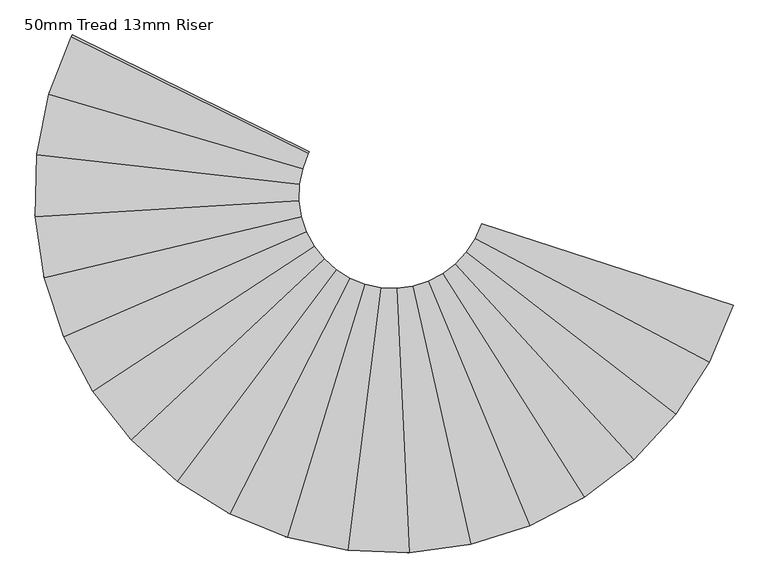
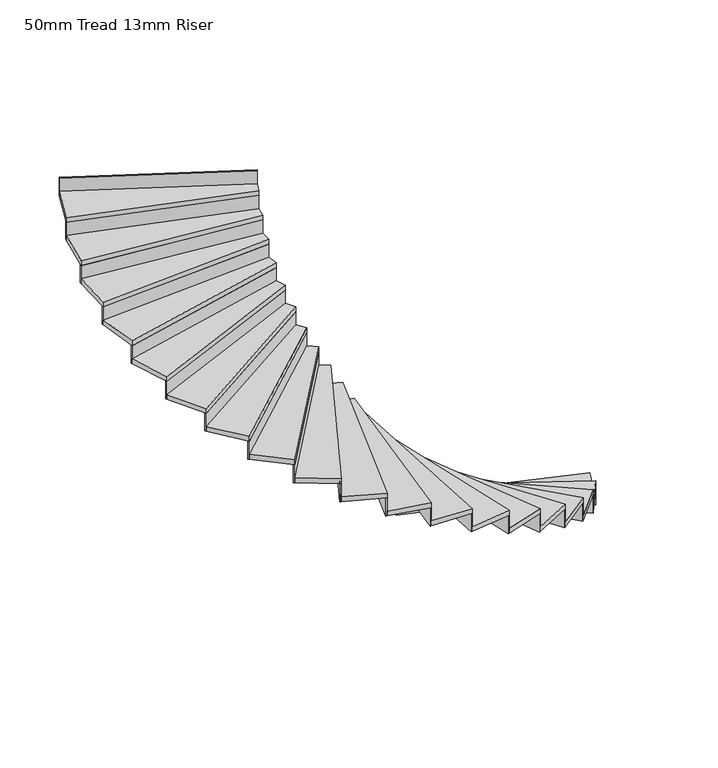
"""IFC4 building model written with IfcOpenShell, lengths in millimetres: stair flight geometry, 50mm Tread 13mm Riser."""

from ifc_helpers import new_model, si_unit, point, frame, frame_2d, origin, origin_with_axes, place, context, project, spatial, polyline, circle_curve, trimmed, segment, composite_curve, outline, extrude, source, transform, mapped, element, save


def stair_flight_50mm_tread_13mm_riser_e6cad448(model_context):
    return source(origin(), model_context, "Body", "SweptSolid", [
        extrude(outline(composite_curve([segment(polyline([(22952.0210346, -7413.5777681), (21453.7657208, -6622.8755166)]), True, "CONTINUOUS"), segment(trimmed(circle_curve(frame_2d((20923.1284937, -6342.832425)), 600.0), [point((21453.7657208, -6622.8755166))], [point((21494.0473931, -6527.3632092))], True, "CARTESIAN"), True, "CONTINUOUS"), segment(polyline([(21494.0473931, -6527.3632092), (23106.0380922, -7048.3862622)]), True, "CONTINUOUS"), segment(trimmed(circle_curve(frame_2d((20923.1284937, -6342.832425)), 2294.1012472), [point((23106.0380922, -7048.3862622))], [point((22952.0210346, -7413.5777681))], False, "CARTESIAN"), True, "CONTINUOUS")], self_intersect=False)), frame((0.0, 0.0, 137.5), z_axis=(0.0, 0.0, 1.0), x_axis=(1.0, 0.0, 0.0)), (0.0, 0.0, 1.0), 50.0),
        extrude(outline(composite_curve([segment(trimmed(circle_curve(frame_2d((20923.1284937, -6342.832425)), 600.0), [point((21490.0790909, -6539.2173029))], [point((21494.0473931, -6527.3632092))], True, "CARTESIAN"), True, "CONTINUOUS"), segment(polyline([(21494.0473931, -6527.3632092), (23106.0380922, -7048.3862622)]), True, "CONTINUOUS"), segment(trimmed(circle_curve(frame_2d((20923.1284937, -6342.832425)), 2294.1012472), [point((23106.0380922, -7048.3862622))], [point((23102.1612965, -7060.2699323))], False, "CARTESIAN"), True, "CONTINUOUS"), segment(polyline([(23102.1612965, -7060.2699323), (21490.0790909, -6539.2173029)]), True, "CONTINUOUS")], self_intersect=False)), origin_with_axes(), (0.0, 0.0, 1.0), 137.5),
        extrude(outline(composite_curve([segment(polyline([(22737.4459645, -7746.8098634), (21397.6456859, -6710.0291492)]), True, "CONTINUOUS"), segment(trimmed(circle_curve(frame_2d((20923.1284937, -6342.832425)), 600.0), [point((21397.6456859, -6710.0291492))], [point((21453.7657208, -6622.8755166))], True, "CARTESIAN"), True, "CONTINUOUS"), segment(polyline([(21453.7657208, -6622.8755166), (22952.0210346, -7413.5777681)]), True, "CONTINUOUS"), segment(trimmed(circle_curve(frame_2d((20923.1284937, -6342.832425)), 2294.1012472), [point((22952.0210346, -7413.5777681))], [point((22737.4459645, -7746.8098634))], False, "CARTESIAN"), True, "CONTINUOUS")], self_intersect=False)), frame((0.0, 0.0, 325.0), z_axis=(0.0, 0.0, 1.0), x_axis=(1.0, 0.0, 0.0)), (0.0, 0.0, 1.0), 50.0),
        extrude(outline(composite_curve([segment(trimmed(circle_curve(frame_2d((20923.1284937, -6342.832425)), 600.0), [point((21447.8163216, -6633.869679))], [point((21453.7657208, -6622.8755166))], True, "CARTESIAN"), True, "CONTINUOUS"), segment(polyline([(21453.7657208, -6622.8755166), (22952.0210346, -7413.5777681)]), True, "CONTINUOUS"), segment(trimmed(circle_curve(frame_2d((20923.1284937, -6342.832425)), 2294.1012472), [point((22952.0210346, -7413.5777681))], [point((22946.1566855, -7424.6168156))], False, "CARTESIAN"), True, "CONTINUOUS"), segment(polyline([(22946.1566855, -7424.6168156), (21447.8163216, -6633.869679)]), True, "CONTINUOUS")], self_intersect=False)), frame((0.0, 0.0, 137.5), z_axis=(0.0, 0.0, 1.0), x_axis=(1.0, 0.0, 0.0)), (0.0, 0.0, 1.0), 187.5),
        extrude(outline(composite_curve([segment(polyline([(22468.7174793, -8038.1362975), (21327.3623489, -6786.2227612)]), True, "CONTINUOUS"), segment(trimmed(circle_curve(frame_2d((20923.1284937, -6342.832425)), 600.0), [point((21327.3623489, -6786.2227612))], [point((21397.6456859, -6710.0291492))], True, "CARTESIAN"), True, "CONTINUOUS"), segment(polyline([(21397.6456859, -6710.0291492), (22737.4459645, -7746.8098634)]), True, "CONTINUOUS"), segment(trimmed(circle_curve(frame_2d((20923.1284937, -6342.832425)), 2294.1012472), [point((22737.4459645, -7746.8098634))], [point((22468.7174793, -8038.1362975))], False, "CARTESIAN"), True, "CONTINUOUS")], self_intersect=False)), frame((0.0, 0.0, 512.5), z_axis=(0.0, 0.0, 1.0), x_axis=(1.0, 0.0, 0.0)), (0.0, 0.0, 1.0), 50.0),
        extrude(outline(composite_curve([segment(trimmed(circle_curve(frame_2d((20923.1284937, -6342.832425)), 600.0), [point((21389.8927662, -6719.8352286))], [point((21397.6456859, -6710.0291492))], True, "CARTESIAN"), True, "CONTINUOUS"), segment(polyline([(21397.6456859, -6710.0291492), (22737.4459645, -7746.8098634)]), True, "CONTINUOUS"), segment(trimmed(circle_curve(frame_2d((20923.1284937, -6342.832425)), 2294.1012472), [point((22737.4459645, -7746.8098634))], [point((22729.7691, -7756.6747967))], False, "CARTESIAN"), True, "CONTINUOUS"), segment(polyline([(22729.7691, -7756.6747967), (21389.8927662, -6719.8352286)]), True, "CONTINUOUS")], self_intersect=False)), frame((0.0, 0.0, 325.0), z_axis=(0.0, 0.0, 1.0), x_axis=(1.0, 0.0, 0.0)), (0.0, 0.0, 1.0), 187.5),
        extrude(outline(composite_curve([segment(polyline([(22153.8565374, -8278.8616125), (21245.0135139, -6849.1821399)]), True, "CONTINUOUS"), segment(trimmed(circle_curve(frame_2d((20923.1284937, -6342.832425)), 600.0), [point((21245.0135139, -6849.1821399))], [point((21327.3623489, -6786.2227612))], True, "CARTESIAN"), True, "CONTINUOUS"), segment(polyline([(21327.3623489, -6786.2227612), (22468.7174793, -8038.1362975)]), True, "CONTINUOUS"), segment(trimmed(circle_curve(frame_2d((20923.1284937, -6342.832425)), 2294.1012472), [point((22468.7174793, -8038.1362975))], [point((22153.8565374, -8278.8616125))], False, "CARTESIAN"), True, "CONTINUOUS")], self_intersect=False)), frame((0.0, 0.0, 700.0), z_axis=(0.0, 0.0, 1.0), x_axis=(1.0, 0.0, 0.0)), (0.0, 0.0, 1.0), 50.0),
        extrude(outline(composite_curve([segment(trimmed(circle_curve(frame_2d((20923.1284937, -6342.832425)), 600.0), [point((21318.0373163, -6794.5480676))], [point((21327.3623489, -6786.2227612))], True, "CARTESIAN"), True, "CONTINUOUS"), segment(polyline([(21327.3623489, -6786.2227612), (22468.7174793, -8038.1362975)]), True, "CONTINUOUS"), segment(trimmed(circle_curve(frame_2d((20923.1284937, -6342.832425)), 2294.1012472), [point((22468.7174793, -8038.1362975))], [point((22459.457237, -8046.53267))], False, "CARTESIAN"), True, "CONTINUOUS"), segment(polyline([(22459.457237, -8046.53267), (21318.0373163, -6794.5480676)]), True, "CONTINUOUS")], self_intersect=False)), frame((0.0, 0.0, 512.5), z_axis=(0.0, 0.0, 1.0), x_axis=(1.0, 0.0, 0.0)), (0.0, 0.0, 1.0), 187.5),
        extrude(outline(composite_curve([segment(polyline([(21802.2610506, -8461.8006833), (21153.0571138, -6897.028085)]), True, "CONTINUOUS"), segment(trimmed(circle_curve(frame_2d((20923.1284937, -6342.832425)), 600.0), [point((21153.0571138, -6897.028085))], [point((21245.0135139, -6849.1821399))], True, "CARTESIAN"), True, "CONTINUOUS"), segment(polyline([(21245.0135139, -6849.1821399), (22153.8565374, -8278.8616125)]), True, "CONTINUOUS"), segment(trimmed(circle_curve(frame_2d((20923.1284937, -6342.832425)), 2294.1012472), [point((22153.8565374, -8278.8616125))], [point((21802.2610506, -8461.8006833))], False, "CARTESIAN"), True, "CONTINUOUS")], self_intersect=False)), frame((0.0, 0.0, 887.5), z_axis=(0.0, 0.0, 1.0), x_axis=(1.0, 0.0, 0.0)), (0.0, 0.0, 1.0), 50.0),
        extrude(outline(composite_curve([segment(trimmed(circle_curve(frame_2d((20923.1284937, -6342.832425)), 600.0), [point((21234.3947004, -6855.7781809))], [point((21245.0135139, -6849.1821399))], True, "CARTESIAN"), True, "CONTINUOUS"), segment(polyline([(21245.0135139, -6849.1821399), (22153.8565374, -8278.8616125)]), True, "CONTINUOUS"), segment(trimmed(circle_curve(frame_2d((20923.1284937, -6342.832425)), 2294.1012472), [point((22153.8565374, -8278.8616125))], [point((22143.2893154, -8285.5388109))], False, "CARTESIAN"), True, "CONTINUOUS"), segment(polyline([(22143.2893154, -8285.5388109), (21234.3947004, -6855.7781809)]), True, "CONTINUOUS")], self_intersect=False)), frame((0.0, 0.0, 700.0), z_axis=(0.0, 0.0, 1.0), x_axis=(1.0, 0.0, 0.0)), (0.0, 0.0, 1.0), 187.5),
        extrude(outline(composite_curve([segment(polyline([(21424.4253764, -8581.4931782), (21054.2378464, -6928.3324998)]), True, "CONTINUOUS"), segment(trimmed(circle_curve(frame_2d((20923.1284937, -6342.832425)), 600.0), [point((21054.2378464, -6928.3324998))], [point((21153.0571138, -6897.028085))], True, "CARTESIAN"), True, "CONTINUOUS"), segment(polyline([(21153.0571138, -6897.028085), (21802.2610506, -8461.8006833)]), True, "CONTINUOUS"), segment(trimmed(circle_curve(frame_2d((20923.1284937, -6342.832425)), 2294.1012472), [point((21802.2610506, -8461.8006833))], [point((21424.4253764, -8581.4931782))], False, "CARTESIAN"), True, "CONTINUOUS")], self_intersect=False)), frame((0.0, 0.0, 1075.0), z_axis=(0.0, 0.0, 1.0), x_axis=(1.0, 0.0, 0.0)), (0.0, 0.0, 1.0), 50.0),
        extrude(outline(composite_curve([segment(trimmed(circle_curve(frame_2d((20923.1284937, -6342.832425)), 600.0), [point((21141.4614677, -6901.6979834))], [point((21153.0571138, -6897.028085))], True, "CARTESIAN"), True, "CONTINUOUS"), segment(polyline([(21153.0571138, -6897.028085), (21802.2610506, -8461.8006833)]), True, "CONTINUOUS"), segment(trimmed(circle_curve(frame_2d((20923.1284937, -6342.832425)), 2294.1012472), [point((21802.2610506, -8461.8006833))], [point((21790.7022573, -8466.5594077))], False, "CARTESIAN"), True, "CONTINUOUS"), segment(polyline([(21790.7022573, -8466.5594077), (21141.4614677, -6901.6979834)]), True, "CONTINUOUS")], self_intersect=False)), frame((0.0, 0.0, 887.5), z_axis=(0.0, 0.0, 1.0), x_axis=(1.0, 0.0, 0.0)), (0.0, 0.0, 1.0), 187.5),
        extrude(outline(composite_curve([segment(polyline([(21031.6270848, -8634.3665374), (20951.5052511, -6942.1610157)]), True, "CONTINUOUS"), segment(trimmed(circle_curve(frame_2d((20923.1284937, -6342.832425)), 600.0), [point((20951.5052511, -6942.1610157))], [point((21054.2378464, -6928.3324998))], True, "CARTESIAN"), True, "CONTINUOUS"), segment(polyline([(21054.2378464, -6928.3324998), (21424.4253764, -8581.4931782)]), True, "CONTINUOUS"), segment(trimmed(circle_curve(frame_2d((20923.1284937, -6342.832425)), 2294.1012472), [point((21424.4253764, -8581.4931782))], [point((21031.6270848, -8634.3665374))], False, "CARTESIAN"), True, "CONTINUOUS")], self_intersect=False)), frame((0.0, 0.0, 1262.5), z_axis=(0.0, 0.0, 1.0), x_axis=(1.0, 0.0, 0.0)), (0.0, 0.0, 1.0), 50.0),
        extrude(outline(composite_curve([segment(trimmed(circle_curve(frame_2d((20923.1284937, -6342.832425)), 600.0), [point((21042.0114726, -6930.9368692))], [point((21054.2378464, -6928.3324998))], True, "CARTESIAN"), True, "CONTINUOUS"), segment(polyline([(21054.2378464, -6928.3324998), (21424.4253764, -8581.4931782)]), True, "CONTINUOUS"), segment(trimmed(circle_curve(frame_2d((20923.1284937, -6342.832425)), 2294.1012472), [point((21424.4253764, -8581.4931782))], [point((21412.2200166, -8584.191391))], False, "CARTESIAN"), True, "CONTINUOUS"), segment(polyline([(21412.2200166, -8584.191391), (21042.0114726, -6930.9368692)]), True, "CONTINUOUS")], self_intersect=False)), frame((0.0, 0.0, 1075.0), z_axis=(0.0, 0.0, 1.0), x_axis=(1.0, 0.0, 0.0)), (0.0, 0.0, 1.0), 187.5),
        extrude(outline(composite_curve([segment(polyline([(20635.5903471, -8618.8426066), (20847.9256716, -6938.1008817)]), True, "CONTINUOUS"), segment(trimmed(circle_curve(frame_2d((20923.1284937, -6342.832425)), 600.0), [point((20847.9256716, -6938.1008817))], [point((20951.5052511, -6942.1610157))], True, "CARTESIAN"), True, "CONTINUOUS"), segment(polyline([(20951.5052511, -6942.1610157), (21031.6270848, -8634.3665374)]), True, "CONTINUOUS"), segment(trimmed(circle_curve(frame_2d((20923.1284937, -6342.832425)), 2294.1012472), [point((21031.6270848, -8634.3665374))], [point((20635.5903471, -8618.8426066))], False, "CARTESIAN"), True, "CONTINUOUS")], self_intersect=False)), frame((0.0, 0.0, 1450.0), z_axis=(0.0, 0.0, 1.0), x_axis=(1.0, 0.0, 0.0)), (0.0, 0.0, 1.0), 50.0),
        extrude(outline(composite_curve([segment(trimmed(circle_curve(frame_2d((20923.1284937, -6342.832425)), 600.0), [point((20939.01308, -6942.6221214))], [point((20951.5052511, -6942.1610157))], True, "CARTESIAN"), True, "CONTINUOUS"), segment(polyline([(20951.5052511, -6942.1610157), (21031.6270848, -8634.3665374)]), True, "CONTINUOUS"), segment(trimmed(circle_curve(frame_2d((20923.1284937, -6342.832425)), 2294.1012472), [point((21031.6270848, -8634.3665374))], [point((21019.1394619, -8634.9237029))], False, "CARTESIAN"), True, "CONTINUOUS"), segment(polyline([(21019.1394619, -8634.9237029), (20939.01308, -6942.6221214)]), True, "CONTINUOUS")], self_intersect=False)), frame((0.0, 0.0, 1262.5), z_axis=(0.0, 0.0, 1.0), x_axis=(1.0, 0.0, 0.0)), (0.0, 0.0, 1.0), 187.5),
        extrude(outline(composite_curve([segment(polyline([(20248.1359953, -8535.3847413), (20746.5907321, -6916.2732839)]), True, "CONTINUOUS"), segment(trimmed(circle_curve(frame_2d((20923.1284937, -6342.832425)), 600.0), [point((20746.5907321, -6916.2732839))], [point((20847.9256716, -6938.1008817))], True, "CARTESIAN"), True, "CONTINUOUS"), segment(polyline([(20847.9256716, -6938.1008817), (20635.5903471, -8618.8426066)]), True, "CONTINUOUS"), segment(trimmed(circle_curve(frame_2d((20923.1284937, -6342.832425)), 2294.1012472), [point((20635.5903471, -8618.8426066))], [point((20248.1359953, -8535.3847413))], False, "CARTESIAN"), True, "CONTINUOUS")], self_intersect=False)), frame((0.0, 0.0, 1637.5), z_axis=(0.0, 0.0, 1.0), x_axis=(1.0, 0.0, 0.0)), (0.0, 0.0, 1.0), 50.0),
        extrude(outline(composite_curve([segment(trimmed(circle_curve(frame_2d((20923.1284937, -6342.832425)), 600.0), [point((20835.5405672, -6936.4049607))], [point((20847.9256716, -6938.1008817))], True, "CARTESIAN"), True, "CONTINUOUS"), segment(polyline([(20847.9256716, -6938.1008817), (20635.5903471, -8618.8426066)]), True, "CONTINUOUS"), segment(trimmed(circle_curve(frame_2d((20923.1284937, -6342.832425)), 2294.1012472), [point((20635.5903471, -8618.8426066))], [point((20623.1931893, -8617.2420947))], False, "CARTESIAN"), True, "CONTINUOUS"), segment(polyline([(20623.1931893, -8617.2420947), (20835.5405672, -6936.4049607)]), True, "CONTINUOUS")], self_intersect=False)), frame((0.0, 0.0, 1450.0), z_axis=(0.0, 0.0, 1.0), x_axis=(1.0, 0.0, 0.0)), (0.0, 0.0, 1.0), 187.5),
        extrude(outline(composite_curve([segment(polyline([(19880.8286959, -8386.4839765), (20650.5250594, -6877.3297286)]), True, "CONTINUOUS"), segment(trimmed(circle_curve(frame_2d((20923.1284937, -6342.832425)), 600.0), [point((20650.5250594, -6877.3297286))], [point((20746.5907321, -6916.2732839))], True, "CARTESIAN"), True, "CONTINUOUS"), segment(polyline([(20746.5907321, -6916.2732839), (20248.1359953, -8535.3847413)]), True, "CONTINUOUS"), segment(trimmed(circle_curve(frame_2d((20923.1284937, -6342.832425)), 2294.1012472), [point((20248.1359953, -8535.3847413))], [point((19880.8286959, -8386.4839765))], False, "CARTESIAN"), True, "CONTINUOUS")], self_intersect=False)), frame((0.0, 0.0, 1825.0), z_axis=(0.0, 0.0, 1.0), x_axis=(1.0, 0.0, 0.0)), (0.0, 0.0, 1.0), 50.0),
        extrude(outline(composite_curve([segment(trimmed(circle_curve(frame_2d((20923.1284937, -6342.832425)), 600.0), [point((20734.6823629, -6912.4709558))], [point((20746.5907321, -6916.2732839))], True, "CARTESIAN"), True, "CONTINUOUS"), segment(polyline([(20746.5907321, -6916.2732839), (20248.1359953, -8535.3847413)]), True, "CONTINUOUS"), segment(trimmed(circle_curve(frame_2d((20923.1284937, -6342.832425)), 2294.1012472), [point((20248.1359953, -8535.3847413))], [point((20236.1993308, -8531.6743237))], False, "CARTESIAN"), True, "CONTINUOUS"), segment(polyline([(20236.1993308, -8531.6743237), (20734.6823629, -6912.4709558)]), True, "CONTINUOUS")], self_intersect=False)), frame((0.0, 0.0, 1637.5), z_axis=(0.0, 0.0, 1.0), x_axis=(1.0, 0.0, 0.0)), (0.0, 0.0, 1.0), 187.5),
        extrude(outline(composite_curve([segment(polyline([(19544.6317696, -8176.5846749), (20562.5960039, -6822.4325957)]), True, "CONTINUOUS"), segment(trimmed(circle_curve(frame_2d((20923.1284937, -6342.832425)), 600.0), [point((20562.5960039, -6822.4325957))], [point((20650.5250594, -6877.3297286))], True, "CARTESIAN"), True, "CONTINUOUS"), segment(polyline([(20650.5250594, -6877.3297286), (19880.8286959, -8386.4839765)]), True, "CONTINUOUS"), segment(trimmed(circle_curve(frame_2d((20923.1284937, -6342.832425)), 2294.1012472), [point((19880.8286959, -8386.4839765))], [point((19544.6317696, -8176.5846749))], False, "CARTESIAN"), True, "CONTINUOUS")], self_intersect=False)), frame((0.0, 0.0, 2012.5), z_axis=(0.0, 0.0, 1.0), x_axis=(1.0, 0.0, 0.0)), (0.0, 0.0, 1.0), 50.0),
        extrude(outline(composite_curve([segment(trimmed(circle_curve(frame_2d((20923.1284937, -6342.832425)), 600.0), [point((20639.448864, -6871.5344844))], [point((20650.5250594, -6877.3297286))], True, "CARTESIAN"), True, "CONTINUOUS"), segment(polyline([(20650.5250594, -6877.3297286), (19880.8286959, -8386.4839765)]), True, "CONTINUOUS"), segment(trimmed(circle_curve(frame_2d((20923.1284937, -6342.832425)), 2294.1012472), [point((19880.8286959, -8386.4839765))], [point((19869.7088079, -8380.7744011))], False, "CARTESIAN"), True, "CONTINUOUS"), segment(polyline([(19869.7088079, -8380.7744011), (20639.448864, -6871.5344844)]), True, "CONTINUOUS")], self_intersect=False)), frame((0.0, 0.0, 1825.0), z_axis=(0.0, 0.0, 1.0), x_axis=(1.0, 0.0, 0.0)), (0.0, 0.0, 1.0), 187.5),
        extrude(outline(composite_curve([segment(polyline([(19249.5799608, -7911.9518725), (20485.4280561, -6753.220445)]), True, "CONTINUOUS"), segment(trimmed(circle_curve(frame_2d((20923.1284937, -6342.832425)), 600.0), [point((20485.4280561, -6753.220445))], [point((20562.5960039, -6822.4325957))], True, "CARTESIAN"), True, "CONTINUOUS"), segment(polyline([(20562.5960039, -6822.4325957), (19544.6317696, -8176.5846749)]), True, "CONTINUOUS"), segment(trimmed(circle_curve(frame_2d((20923.1284937, -6342.832425)), 2294.1012472), [point((19544.6317696, -8176.5846749))], [point((19249.5799608, -7911.9518725))], False, "CARTESIAN"), True, "CONTINUOUS")], self_intersect=False)), frame((0.0, 0.0, 2200.0), z_axis=(0.0, 0.0, 1.0), x_axis=(1.0, 0.0, 0.0)), (0.0, 0.0, 1.0), 50.0),
        extrude(outline(composite_curve([segment(trimmed(circle_curve(frame_2d((20923.1284937, -6342.832425)), 600.0), [point((20552.6825827, -6814.817411))], [point((20562.5960039, -6822.4325957))], True, "CARTESIAN"), True, "CONTINUOUS"), segment(polyline([(20562.5960039, -6822.4325957), (19544.6317696, -8176.5846749)]), True, "CONTINUOUS"), segment(trimmed(circle_curve(frame_2d((20923.1284937, -6342.832425)), 2294.1012472), [point((19544.6317696, -8176.5846749))], [point((19534.6605626, -8169.0463601))], False, "CARTESIAN"), True, "CONTINUOUS"), segment(polyline([(19534.6605626, -8169.0463601), (20552.6825827, -6814.817411)]), True, "CONTINUOUS")], self_intersect=False)), frame((0.0, 0.0, 2012.5), z_axis=(0.0, 0.0, 1.0), x_axis=(1.0, 0.0, 0.0)), (0.0, 0.0, 1.0), 187.5),
        extrude(outline(composite_curve([segment(polyline([(19004.4799217, -7600.4842806), (20421.3245107, -6671.7591078)]), True, "CONTINUOUS"), segment(trimmed(circle_curve(frame_2d((20923.1284937, -6342.832425)), 600.0), [point((20421.3245107, -6671.7591078))], [point((20485.4280561, -6753.220445))], True, "CARTESIAN"), True, "CONTINUOUS"), segment(polyline([(20485.4280561, -6753.220445), (19249.5799608, -7911.9518725)]), True, "CONTINUOUS"), segment(trimmed(circle_curve(frame_2d((20923.1284937, -6342.832425)), 2294.1012472), [point((19249.5799608, -7911.9518725))], [point((19004.4799217, -7600.4842806))], False, "CARTESIAN"), True, "CONTINUOUS")], self_intersect=False)), frame((0.0, 0.0, 2387.5), z_axis=(0.0, 0.0, 1.0), x_axis=(1.0, 0.0, 0.0)), (0.0, 0.0, 1.0), 50.0),
        extrude(outline(composite_curve([segment(trimmed(circle_curve(frame_2d((20923.1284937, -6342.832425)), 600.0), [point((20476.9733031, -6744.0126163))], [point((20485.4280561, -6753.220445))], True, "CARTESIAN"), True, "CONTINUOUS"), segment(polyline([(20485.4280561, -6753.220445), (19249.5799608, -7911.9518725)]), True, "CONTINUOUS"), segment(trimmed(circle_curve(frame_2d((20923.1284937, -6342.832425)), 2294.1012472), [point((19249.5799608, -7911.9518725))], [point((19241.0550535, -7902.8098205))], False, "CARTESIAN"), True, "CONTINUOUS"), segment(polyline([(19241.0550535, -7902.8098205), (20476.9733031, -6744.0126163)]), True, "CONTINUOUS")], self_intersect=False)), frame((0.0, 0.0, 2200.0), z_axis=(0.0, 0.0, 1.0), x_axis=(1.0, 0.0, 0.0)), (0.0, 0.0, 1.0), 187.5),
        extrude(outline(composite_curve([segment(polyline([(18816.6473534, -7251.4785266), (20372.1987186, -6580.4800273)]), True, "CONTINUOUS"), segment(trimmed(circle_curve(frame_2d((20923.1284937, -6342.832425)), 600.0), [point((20372.1987186, -6580.4800273))], [point((20421.3245107, -6671.7591078))], True, "CARTESIAN"), True, "CONTINUOUS"), segment(polyline([(20421.3245107, -6671.7591078), (19004.4799217, -7600.4842806)]), True, "CONTINUOUS"), segment(trimmed(circle_curve(frame_2d((20923.1284937, -6342.832425)), 2294.1012472), [point((19004.4799217, -7600.4842806))], [point((18816.6473534, -7251.4785266))], False, "CARTESIAN"), True, "CONTINUOUS")], self_intersect=False)), frame((0.0, 0.0, 2575.0), z_axis=(0.0, 0.0, 1.0), x_axis=(1.0, 0.0, 0.0)), (0.0, 0.0, 1.0), 50.0),
        extrude(outline(composite_curve([segment(trimmed(circle_curve(frame_2d((20923.1284937, -6342.832425)), 600.0), [point((20414.5807817, -6661.2334687))], [point((20421.3245107, -6671.7591078))], True, "CARTESIAN"), True, "CONTINUOUS"), segment(polyline([(20421.3245107, -6671.7591078), (19004.4799217, -7600.4842806)]), True, "CONTINUOUS"), segment(trimmed(circle_curve(frame_2d((20923.1284937, -6342.832425)), 2294.1012472), [point((19004.4799217, -7600.4842806))], [point((18997.655764, -7590.0113616))], False, "CARTESIAN"), True, "CONTINUOUS"), segment(polyline([(18997.655764, -7590.0113616), (20414.5807817, -6661.2334687)]), True, "CONTINUOUS")], self_intersect=False)), frame((0.0, 0.0, 2387.5), z_axis=(0.0, 0.0, 1.0), x_axis=(1.0, 0.0, 0.0)), (0.0, 0.0, 1.0), 187.5),
        extrude(outline(composite_curve([segment(polyline([(18691.6886478, -6875.3516705), (20339.5169774, -6482.1076848)]), True, "CONTINUOUS"), segment(trimmed(circle_curve(frame_2d((20923.1284937, -6342.832425)), 600.0), [point((20339.5169774, -6482.1076848))], [point((20372.1987186, -6580.4800273))], True, "CARTESIAN"), True, "CONTINUOUS"), segment(polyline([(20372.1987186, -6580.4800273), (18816.6473534, -7251.4785266)]), True, "CONTINUOUS"), segment(trimmed(circle_curve(frame_2d((20923.1284937, -6342.832425)), 2294.1012472), [point((18816.6473534, -7251.4785266))], [point((18691.6886478, -6875.3516705))], False, "CARTESIAN"), True, "CONTINUOUS")], self_intersect=False)), frame((0.0, 0.0, 2762.5), z_axis=(0.0, 0.0, 1.0), x_axis=(1.0, 0.0, 0.0)), (0.0, 0.0, 1.0), 50.0),
        extrude(outline(composite_curve([segment(trimmed(circle_curve(frame_2d((20923.1284937, -6342.832425)), 600.0), [point((20367.3672993, -6568.9507452))], [point((20372.1987186, -6580.4800273))], True, "CARTESIAN"), True, "CONTINUOUS"), segment(polyline([(20372.1987186, -6580.4800273), (18816.6473534, -7251.4785266)]), True, "CONTINUOUS"), segment(trimmed(circle_curve(frame_2d((20923.1284937, -6342.832425)), 2294.1012472), [point((18816.6473534, -7251.4785266))], [point((18811.7276315, -7239.9873345))], False, "CARTESIAN"), True, "CONTINUOUS"), segment(polyline([(18811.7276315, -7239.9873345), (20367.3672993, -6568.9507452)]), True, "CONTINUOUS")], self_intersect=False)), frame((0.0, 0.0, 2575.0), z_axis=(0.0, 0.0, 1.0), x_axis=(1.0, 0.0, 0.0)), (0.0, 0.0, 1.0), 187.5),
        extrude(outline(composite_curve([segment(polyline([(18633.3335496, -6483.3302776), (20324.2547656, -6379.5782799)]), True, "CONTINUOUS"), segment(trimmed(circle_curve(frame_2d((20923.1284937, -6342.832425)), 600.0), [point((20324.2547656, -6379.5782799))], [point((20339.5169774, -6482.1076848))], True, "CARTESIAN"), True, "CONTINUOUS"), segment(polyline([(20339.5169774, -6482.1076848), (18691.6886478, -6875.3516705)]), True, "CONTINUOUS"), segment(trimmed(circle_curve(frame_2d((20923.1284937, -6342.832425)), 2294.1012472), [point((18691.6886478, -6875.3516705))], [point((18633.3335496, -6483.3302776))], False, "CARTESIAN"), True, "CONTINUOUS")], self_intersect=False)), frame((0.0, 0.0, 2950.0), z_axis=(0.0, 0.0, 1.0), x_axis=(1.0, 0.0, 0.0)), (0.0, 0.0, 1.0), 50.0),
        extrude(outline(composite_curve([segment(trimmed(circle_curve(frame_2d((20923.1284937, -6342.832425)), 600.0), [point((20336.742075, -6469.9188836))], [point((20339.5169774, -6482.1076848))], True, "CARTESIAN"), True, "CONTINUOUS"), segment(polyline([(20339.5169774, -6482.1076848), (18691.6886478, -6875.3516705)]), True, "CONTINUOUS"), segment(trimmed(circle_curve(frame_2d((20923.1284937, -6342.832425)), 2294.1012472), [point((18691.6886478, -6875.3516705))], [point((18688.8202047, -6863.1851922))], False, "CARTESIAN"), True, "CONTINUOUS"), segment(polyline([(18688.8202047, -6863.1851922), (20336.742075, -6469.9188836)]), True, "CONTINUOUS")], self_intersect=False)), frame((0.0, 0.0, 2762.5), z_axis=(0.0, 0.0, 1.0), x_axis=(1.0, 0.0, 0.0)), (0.0, 0.0, 1.0), 187.5),
        extrude(outline(composite_curve([segment(polyline([(18643.3238309, -6087.1153305), (20326.8676271, -6275.9520914)]), True, "CONTINUOUS"), segment(trimmed(circle_curve(frame_2d((20923.1284937, -6342.832425)), 600.0), [point((20326.8676271, -6275.9520914))], [point((20324.2547656, -6379.5782799))], True, "CARTESIAN"), True, "CONTINUOUS"), segment(polyline([(20324.2547656, -6379.5782799), (18633.3335496, -6483.3302776)]), True, "CONTINUOUS"), segment(trimmed(circle_curve(frame_2d((20923.1284937, -6342.832425)), 2294.1012472), [point((18633.3335496, -6483.3302776))], [point((18643.3238309, -6087.1153305))], False, "CARTESIAN"), True, "CONTINUOUS")], self_intersect=False)), frame((0.0, 0.0, 3137.5), z_axis=(0.0, 0.0, 1.0), x_axis=(1.0, 0.0, 0.0)), (0.0, 0.0, 1.0), 50.0),
        extrude(outline(composite_curve([segment(trimmed(circle_curve(frame_2d((20923.1284937, -6342.832425)), 600.0), [point((20323.619205, -6367.0937686))], [point((20324.2547656, -6379.5782799))], True, "CARTESIAN"), True, "CONTINUOUS"), segment(polyline([(20324.2547656, -6379.5782799), (18633.3335496, -6483.3302776)]), True, "CONTINUOUS"), segment(trimmed(circle_curve(frame_2d((20923.1284937, -6342.832425)), 2294.1012472), [point((18633.3335496, -6483.3302776))], [point((18632.602002, -6470.8516559))], False, "CARTESIAN"), True, "CONTINUOUS"), segment(polyline([(18632.602002, -6470.8516559), (20323.619205, -6367.0937686)]), True, "CONTINUOUS")], self_intersect=False)), frame((0.0, 0.0, 2950.0), z_axis=(0.0, 0.0, 1.0), x_axis=(1.0, 0.0, 0.0)), (0.0, 0.0, 1.0), 187.5),
        extrude(outline(composite_curve([segment(polyline([(18721.3613038, -5698.5329804), (20347.2775736, -6174.3221348)]), True, "CONTINUOUS"), segment(trimmed(circle_curve(frame_2d((20923.1284937, -6342.832425)), 600.0), [point((20347.2775736, -6174.3221348))], [point((20326.8676271, -6275.9520914))], True, "CARTESIAN"), True, "CONTINUOUS"), segment(polyline([(20326.8676271, -6275.9520914), (18643.3238309, -6087.1153305)]), True, "CONTINUOUS"), segment(trimmed(circle_curve(frame_2d((20923.1284937, -6342.832425)), 2294.1012472), [point((18643.3238309, -6087.1153305))], [point((18721.3613038, -5698.5329804))], False, "CARTESIAN"), True, "CONTINUOUS")], self_intersect=False)), frame((0.0, 0.0, 3325.0), z_axis=(0.0, 0.0, 1.0), x_axis=(1.0, 0.0, 0.0)), (0.0, 0.0, 1.0), 50.0),
        extrude(outline(composite_curve([segment(trimmed(circle_curve(frame_2d((20923.1284937, -6342.832425)), 600.0), [point((20328.3903783, -6263.5445055))], [point((20326.8676271, -6275.9520914))], True, "CARTESIAN"), True, "CONTINUOUS"), segment(polyline([(20326.8676271, -6275.9520914), (18643.3238309, -6087.1153305)]), True, "CONTINUOUS"), segment(trimmed(circle_curve(frame_2d((20923.1284937, -6342.832425)), 2294.1012472), [point((18643.3238309, -6087.1153305))], [point((18644.751014, -6074.6970251))], False, "CARTESIAN"), True, "CONTINUOUS"), segment(polyline([(18644.751014, -6074.6970251), (20328.3903783, -6263.5445055)]), True, "CONTINUOUS")], self_intersect=False)), frame((0.0, 0.0, 3137.5), z_axis=(0.0, 0.0, 1.0), x_axis=(1.0, 0.0, 0.0)), (0.0, 0.0, 1.0), 187.5),
        extrude(outline(composite_curve([segment(polyline([(18865.11672, -5329.1815619), (20384.8754128, -6077.7218425)]), True, "CONTINUOUS"), segment(trimmed(circle_curve(frame_2d((20923.1284937, -6342.832425)), 600.0), [point((20384.8754128, -6077.7218425))], [point((20347.2775736, -6174.3221348))], True, "CARTESIAN"), True, "CONTINUOUS"), segment(polyline([(20347.2775736, -6174.3221348), (18721.3613038, -5698.5329804)]), True, "CONTINUOUS"), segment(trimmed(circle_curve(frame_2d((20923.1284937, -6342.832425)), 2294.1012472), [point((18721.3613038, -5698.5329804))], [point((18865.11672, -5329.1815619))], False, "CARTESIAN"), True, "CONTINUOUS")], self_intersect=False)), frame((0.0, 0.0, 3512.5), z_axis=(0.0, 0.0, 1.0), x_axis=(1.0, 0.0, 0.0)), (0.0, 0.0, 1.0), 50.0),
        extrude(outline(composite_curve([segment(trimmed(circle_curve(frame_2d((20923.1284937, -6342.832425)), 600.0), [point((20350.9131859, -6162.3618137))], [point((20347.2775736, -6174.3221348))], True, "CARTESIAN"), True, "CONTINUOUS"), segment(polyline([(20347.2775736, -6174.3221348), (18721.3613038, -5698.5329804)]), True, "CONTINUOUS"), segment(trimmed(circle_curve(frame_2d((20923.1284937, -6342.832425)), 2294.1012472), [point((18721.3613038, -5698.5329804))], [point((18724.9046192, -5686.5456506))], False, "CARTESIAN"), True, "CONTINUOUS"), segment(polyline([(18724.9046192, -5686.5456506), (20350.9131859, -6162.3618137)]), True, "CONTINUOUS")], self_intersect=False)), frame((0.0, 0.0, 3325.0), z_axis=(0.0, 0.0, 1.0), x_axis=(1.0, 0.0, 0.0)), (0.0, 0.0, 1.0), 187.5),
        extrude(outline(composite_curve([segment(trimmed(circle_curve(frame_2d((20923.1284937, -6342.832425)), 600.0), [point((20390.515371, -6066.5657756))], [point((20384.8754128, -6077.7218425))], True, "CARTESIAN"), True, "CONTINUOUS"), segment(polyline([(20384.8754128, -6077.7218425), (18865.11672, -5329.1815619)]), True, "CONTINUOUS"), segment(trimmed(circle_curve(frame_2d((20923.1284937, -6342.832425)), 2294.1012472), [point((18865.11672, -5329.1815619))], [point((18870.6704075, -5317.9830033))], False, "CARTESIAN"), True, "CONTINUOUS"), segment(polyline([(18870.6704075, -5317.9830033), (20390.515371, -6066.5657756)]), True, "CONTINUOUS")], self_intersect=False)), frame((0.0, 0.0, 3512.5), z_axis=(0.0, 0.0, 1.0), x_axis=(1.0, 0.0, 0.0)), (0.0, 0.0, 1.0), 187.5),
    ])


if __name__ == "__main__":
    model = new_model("IFC4")
    model_context = context("Model", 3, world=origin())
    ifc_project = project(units=[si_unit("LENGTHUNIT", "METRE", prefix="MILLI")], contexts=[model_context])
    site = spatial("IfcSite", under=ifc_project)
    building = spatial("IfcBuilding", under=site)
    placement = place(None, origin())
    stair_flight_50mm_tread_13mm_riser_shape = stair_flight_50mm_tread_13mm_riser_e6cad448(model_context)
    element("IfcStairFlight", 1, ObjectType="50mm Tread 13mm Riser", at=placement, inside=building, context=model_context, shape_type="MappedRepresentation", body=[
        mapped(stair_flight_50mm_tread_13mm_riser_shape, transform((0.0, 0.0, 0.0), x_axis=(1.0, 0.0, 0.0), y_axis=(0.0, 1.0, 0.0), z_axis=(0.0, 0.0, 1.0))),
    ])
    save(model, "model.ifc")
